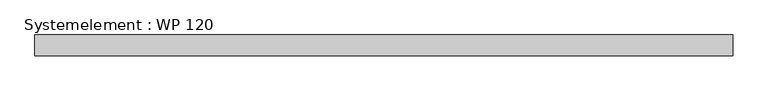
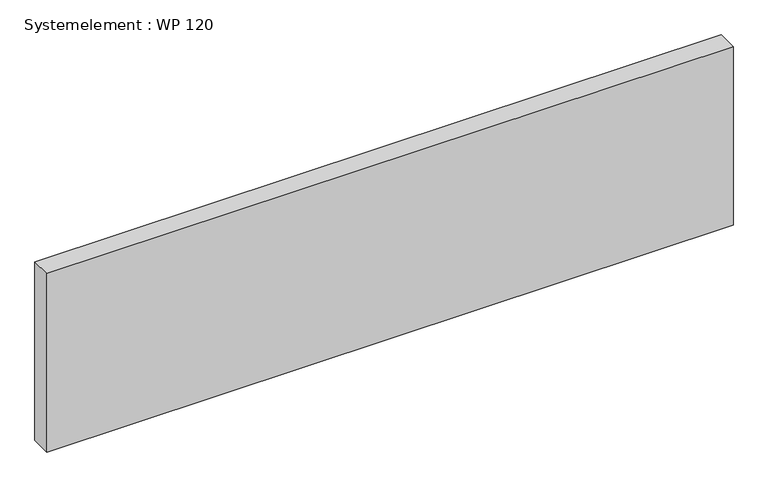
"""IFC4 building model written with IfcOpenShell, lengths in millimetres: plate geometry, Systemelement : WP 120."""

from ifc_helpers import new_model, si_unit, origin, origin_with_axes, place, context, project, spatial, polyline, outline, extrude, source, transform, mapped, element, save


def systemelement_wp_120_4d8dc3d2(model_context):
    return source(origin(), model_context, "Body", "SweptSolid", [
        extrude(outline(polyline([(2000.0, -120.0), (-2000.0, -120.0), (-2000.0, 0.0), (2000.0, 0.0), (2000.0, -120.0)])), origin_with_axes(), (0.0, 0.0, 1.0), 1100.0),
    ])


if __name__ == "__main__":
    model = new_model("IFC4")
    model_context = context("Model", 3, world=origin())
    ifc_project = project(units=[si_unit("LENGTHUNIT", "METRE", prefix="MILLI")], contexts=[model_context])
    site = spatial("IfcSite", under=ifc_project)
    building = spatial("IfcBuilding", under=site)
    placement = place(None, origin())
    systemelement_wp_120_shape = systemelement_wp_120_4d8dc3d2(model_context)
    element("IfcPlate", 1, ObjectType="Systemelement : WP 120", at=placement, inside=building, context=model_context, shape_type="MappedRepresentation", body=[
        mapped(systemelement_wp_120_shape, transform((0.0, 0.0, 0.0), x_axis=(1.0, 0.0, 0.0), y_axis=(0.0, 1.0, 0.0), z_axis=(0.0, 0.0, 1.0))),
    ])
    save(model, "model.ifc")
